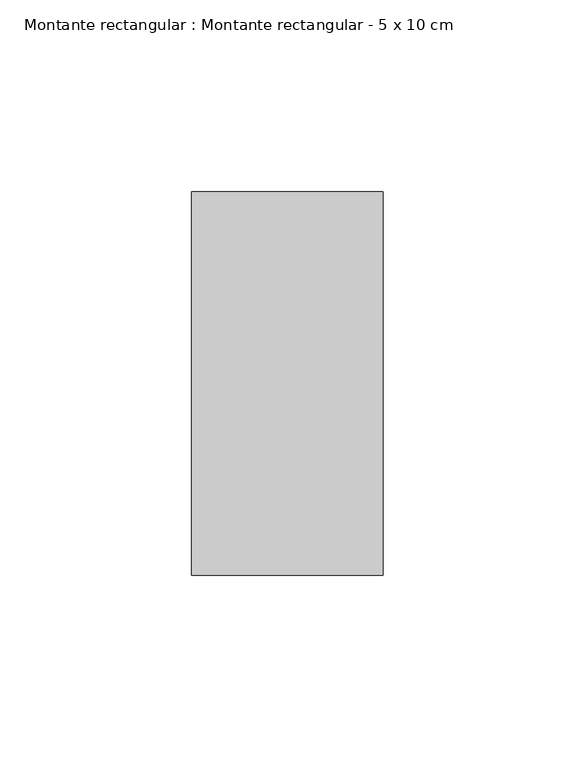
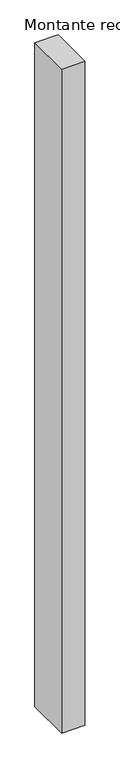
"""IFC4 building model written with IfcOpenShell, lengths in millimetres: member geometry, Montante rectangular : Montante rectangular - 5 x 10 cm."""

from ifc_helpers import new_model, si_unit, frame, origin, place, context, project, spatial, polyline, outline, extrude, source, transform, mapped, element, save


def montante_rectangular_montante_rectangular_5_x_10_cm_a1d603f7(model_context):
    return source(origin(), model_context, "Body", "SweptSolid", [
        extrude(outline(polyline([(-50.0, 50.0), (0.0, 50.0), (0.0, -50.0), (-50.0, -50.0), (-50.0, 50.0)])), frame((0.0, 0.0, -1519.9740771), z_axis=(0.0, 0.0, 1.0), x_axis=(1.0, 0.0, 0.0)), (0.0, 0.0, 1.0), 1519.9740771),
    ])


if __name__ == "__main__":
    model = new_model("IFC4")
    model_context = context("Model", 3, world=origin())
    ifc_project = project(units=[si_unit("LENGTHUNIT", "METRE", prefix="MILLI")], contexts=[model_context])
    site = spatial("IfcSite", under=ifc_project)
    building = spatial("IfcBuilding", under=site)
    placement = place(None, origin())
    montante_rectangular_montante_rectangular_5_x_10_cm_shape = montante_rectangular_montante_rectangular_5_x_10_cm_a1d603f7(model_context)
    element("IfcMember", 1, ObjectType="Montante rectangular : Montante rectangular - 5 x 10 cm", at=placement, inside=building, context=model_context, shape_type="MappedRepresentation", body=[
        mapped(montante_rectangular_montante_rectangular_5_x_10_cm_shape, transform((0.0, 0.0, 0.0), x_axis=(1.0, 0.0, 0.0), y_axis=(0.0, 1.0, 0.0), z_axis=(0.0, 0.0, 1.0))),
    ])
    save(model, "model.ifc")
